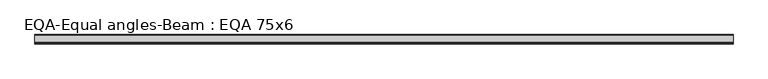
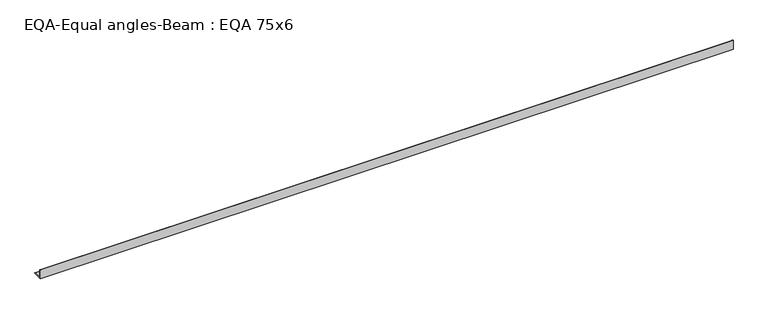
"""IFC4 building model written with IfcOpenShell, lengths in millimetres: beam geometry, EQA-Equal angles-Beam : EQA 75x6."""

from ifc_helpers import new_model, si_unit, point, frame, frame_2d, origin, place, context, project, spatial, polyline, circle_curve, trimmed, segment, composite_curve, outline, extrude, source, transform, mapped, element, save


def eqa_equal_angles_beam_eqa_75x6_fa72bb9b(model_context):
    return source(origin(), model_context, "Body", "SweptSolid", [
        extrude(outline(composite_curve([segment(polyline([(-20.5, -20.5), (-20.5, 54.5), (-19.0, 54.5)]), True, "CONTINUOUS"), segment(trimmed(circle_curve(frame_2d((-19.0, 50.0)), 4.5), [point((-19.0, 54.5))], [point((-14.5, 50.0))], False, "CARTESIAN"), True, "CONTINUOUS"), segment(polyline([(-14.5, 50.0), (-14.5, -5.5)]), True, "CONTINUOUS"), segment(trimmed(circle_curve(frame_2d((-5.5, -5.5)), 9.0), [point((-14.5, -5.5))], [point((-5.5, -14.5))], True, "CARTESIAN"), True, "CONTINUOUS"), segment(polyline([(-5.5, -14.5), (50.0, -14.5)]), True, "CONTINUOUS"), segment(trimmed(circle_curve(frame_2d((50.0, -19.0)), 4.5), [point((50.0, -14.5))], [point((54.5, -19.0))], False, "CARTESIAN"), True, "CONTINUOUS"), segment(polyline([(54.5, -19.0), (54.5, -20.5), (-20.5, -20.5)]), True, "CONTINUOUS")], self_intersect=False)), frame((-2839.9134629, 0.0, 0.0), z_axis=(1.0, 0.0, 0.0), x_axis=(0.0, 1.0, 0.0)), (0.0, 0.0, 1.0), 5526.0188931),
    ])


if __name__ == "__main__":
    model = new_model("IFC4")
    model_context = context("Model", 3, world=origin())
    ifc_project = project(units=[si_unit("LENGTHUNIT", "METRE", prefix="MILLI")], contexts=[model_context])
    site = spatial("IfcSite", under=ifc_project)
    building = spatial("IfcBuilding", under=site)
    placement = place(None, origin())
    eqa_equal_angles_beam_eqa_75x6_shape = eqa_equal_angles_beam_eqa_75x6_fa72bb9b(model_context)
    element("IfcBeam", 1, ObjectType="EQA-Equal angles-Beam : EQA 75x6", at=placement, inside=building, context=model_context, shape_type="MappedRepresentation", body=[
        mapped(eqa_equal_angles_beam_eqa_75x6_shape, transform((0.0, 0.0, 0.0), x_axis=(1.0, 0.0, 0.0), y_axis=(0.0, 1.0, 0.0), z_axis=(0.0, 0.0, 1.0))),
    ])
    save(model, "model.ifc")
